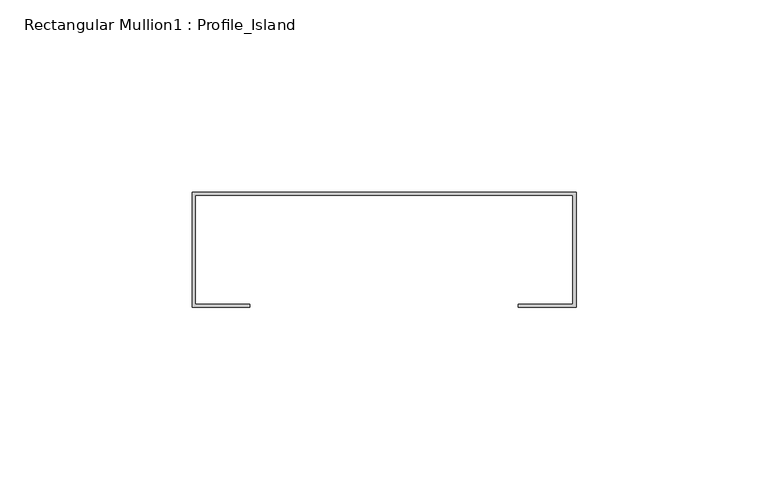
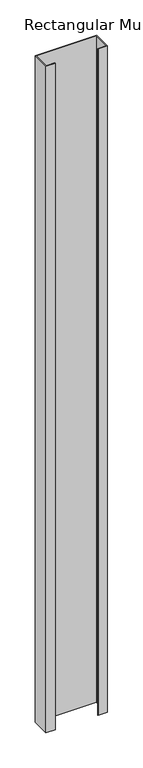
"""IFC4 building model written with IfcOpenShell, lengths in millimetres: member geometry, Rectangular Mullion1 : Profile_Island."""

from ifc_helpers import new_model, si_unit, frame, origin, place, context, project, spatial, polyline, outline, extrude, source, transform, mapped, element, save


def rectangular_mullion1_profile_island_72d78908(model_context):
    return source(origin(), model_context, "Body", "SweptSolid", [
        extrude(outline(polyline([(0.0, 32.0), (0.0, 2.0), (-15.0, 2.0), (-15.0, 2.8), (-0.8, 2.8), (-0.8, 31.2), (-99.2, 31.2), (-99.2, 2.8), (-85.0, 2.8), (-85.0, 2.0), (-100.0, 2.0), (-100.0, 32.0), (0.0, 32.0)])), frame((0.0, 0.0, -1150.0), z_axis=(0.0, 0.0, 1.0), x_axis=(1.0, 0.0, 0.0)), (0.0, 0.0, 1.0), 1150.0),
    ])


if __name__ == "__main__":
    model = new_model("IFC4")
    model_context = context("Model", 3, world=origin())
    ifc_project = project(units=[si_unit("LENGTHUNIT", "METRE", prefix="MILLI")], contexts=[model_context])
    site = spatial("IfcSite", under=ifc_project)
    building = spatial("IfcBuilding", under=site)
    placement = place(None, origin())
    rectangular_mullion1_profile_island_shape = rectangular_mullion1_profile_island_72d78908(model_context)
    element("IfcMember", 1, ObjectType="Rectangular Mullion1 : Profile_Island", at=placement, inside=building, context=model_context, shape_type="MappedRepresentation", body=[
        mapped(rectangular_mullion1_profile_island_shape, transform((0.0, 0.0, 0.0), x_axis=(1.0, 0.0, 0.0), y_axis=(0.0, 1.0, 0.0), z_axis=(0.0, 0.0, 1.0))),
    ])
    save(model, "model.ifc")
